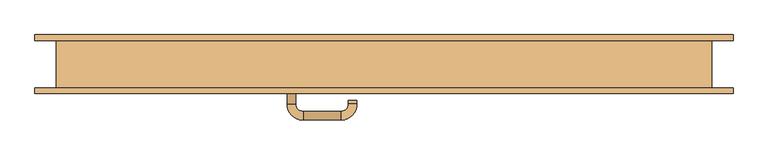
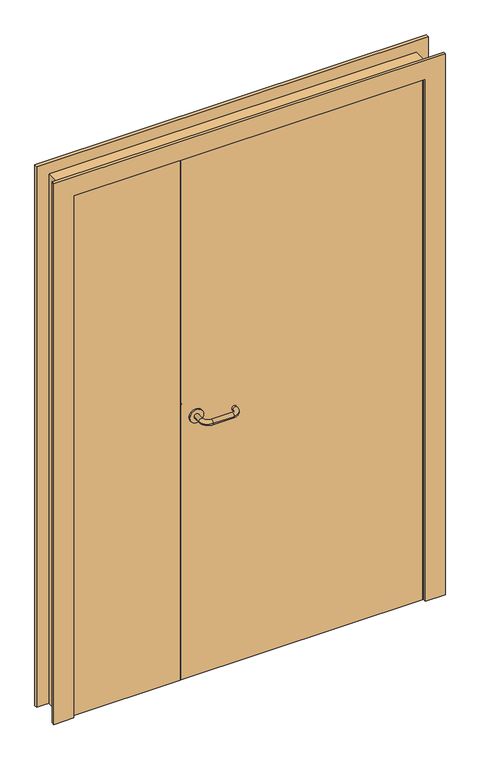
"""IFC4 building model written with IfcOpenShell, lengths in millimetres: door geometry."""

import ifcopenshell
import ifcopenshell.guid

model = None  # the IFC model being written
_history = None  # IfcOwnerHistory: only IFC2X3 demands one
_inside = {}  # id of a spatial element -> (the spatial element, [elements in it])
_under = {}  # id of a project, library or spatial element -> (it, [spatial elements below it])
_declared = {}  # id of a project -> (the project, [libraries it declares])
_typed = {}  # id of a type object -> (the type object, [elements of that type])
_made_of = {}  # id of a material, layer set ... -> (it, [elements and type objects made of it])


def new_model(schema):
    """Start an empty IFC model of exactly this schema.

    Asked for "IFC4X3", IfcOpenShell would pick the latest addendum, in which some entities
    have other attributes; the version numbers below select the first issue.
    IFC2X3 requires an IfcOwnerHistory on every rooted entity: one is made here for all.
    """
    global model, _history
    if schema == "IFC4X3":
        model = ifcopenshell.file(schema_version=(4, 3, 0, 0))
    else:
        model = ifcopenshell.file(schema=schema)
    _inside.clear()
    _under.clear()
    _declared.clear()
    _typed.clear()
    _made_of.clear()
    _history = None
    if model.schema == "IFC2X3":
        org = make("IfcOrganization", Name="unknown")
        user = make(
            "IfcPersonAndOrganization",
            ThePerson=make("IfcPerson", FamilyName="unknown"),
            TheOrganization=org,
        )
        app = make(
            "IfcApplication",
            ApplicationDeveloper=org,
            Version="unknown",
            ApplicationFullName="unknown",
            ApplicationIdentifier="unknown",
        )
        _history = make(
            "IfcOwnerHistory",
            OwningUser=user,
            OwningApplication=app,
            ChangeAction="ADDED",
            CreationDate=0,
        )
    return model


def make(cls, **values):
    """One entity of the class cls with the attributes given. An attribute that is None is left unset."""
    return model.create_entity(
        cls, **{name: value for name, value in values.items() if value is not None}
    )


def rooted(cls, **values):
    """An entity with a GlobalId (a new one), such as an element, a storey or a relation."""
    return make(cls, GlobalId=ifcopenshell.guid.new(), OwnerHistory=_history, **values)


def si_unit(unit_type, name, prefix=None):
    """IfcSIUnit, for example si_unit("LENGTHUNIT", "METRE", prefix="MILLI")."""
    return make("IfcSIUnit", UnitType=unit_type, Prefix=prefix, Name=name)


def assignment(units):
    """IfcUnitAssignment: the units of a project."""
    return None if units is None else make("IfcUnitAssignment", Units=units)


def point(xyz):
    """IfcCartesianPoint."""
    return None if xyz is None else make("IfcCartesianPoint", Coordinates=xyz)


def direction(xyz):
    """IfcDirection."""
    return None if xyz is None else make("IfcDirection", DirectionRatios=xyz)


def frame(location, z_axis=None, x_axis=None):
    """IfcAxis2Placement3D, a coordinate frame: its origin and axes. An axis left out is left unset."""
    return make(
        "IfcAxis2Placement3D",
        Location=point(location),
        Axis=direction(z_axis),
        RefDirection=direction(x_axis),
    )


def origin():
    """The frame at (0, 0, 0) with its axes left unset."""
    return frame((0.0, 0.0, 0.0))


def origin_with_axes():
    """The frame at (0, 0, 0) with the z axis (0, 0, 1) and the x axis (1, 0, 0) written out."""
    return frame((0.0, 0.0, 0.0), z_axis=(0.0, 0.0, 1.0), x_axis=(1.0, 0.0, 0.0))


def place(relative_to, where):
    """IfcLocalPlacement: puts the frame where relative to a parent placement (None: the world)."""
    return make(
        "IfcLocalPlacement", PlacementRelTo=relative_to, RelativePlacement=where
    )


def context(
    kind, dimensions, precision=None, world=None, true_north=None, identifier=None
):
    """IfcGeometricRepresentationContext, for example the 3D "Model" context."""
    return make(
        "IfcGeometricRepresentationContext",
        ContextIdentifier=identifier,
        ContextType=kind,
        CoordinateSpaceDimension=dimensions,
        Precision=precision,
        WorldCoordinateSystem=world,
        TrueNorth=true_north,
    )


def project(units=None, contexts=None):
    """IfcProject with its units and contexts."""
    return rooted(
        "IfcProject",
        Name="project",
        RepresentationContexts=contexts,
        UnitsInContext=assignment(units),
    )


def spatial(cls, under=None, at=None, **own):
    """A site, building, storey or space (cls), placed at a placement, below another one or the project."""
    s = rooted(cls, ObjectPlacement=at, **own)
    if under is not None:
        _under.setdefault(under.id(), (under, []))[1].append(s)
    return s


def polyline(points):
    """IfcPolyline through the points."""
    return make("IfcPolyline", Points=[point(p) for p in points])


def circle_curve(where, radius):
    """IfcCircle in the frame where."""
    return make("IfcCircle", Position=where, Radius=radius)


def ellipse_curve(where, semi_axis1, semi_axis2):
    """IfcEllipse in the frame where."""
    return make(
        "IfcEllipse", Position=where, SemiAxis1=semi_axis1, SemiAxis2=semi_axis2
    )


def trimmed(basis, trim1, trim2, sense, master):
    """IfcTrimmedCurve: the piece of a basis curve between two trims."""
    return make(
        "IfcTrimmedCurve",
        BasisCurve=basis,
        Trim1=trim1,
        Trim2=trim2,
        SenseAgreement=sense,
        MasterRepresentation=master,
    )


def outline(outer, holes=None, kind="AREA"):
    """IfcArbitraryClosedProfileDef: a profile drawn as a closed curve; with holes, ...WithVoids."""
    if holes is None:
        return make("IfcArbitraryClosedProfileDef", ProfileType=kind, OuterCurve=outer)
    return make(
        "IfcArbitraryProfileDefWithVoids",
        ProfileType=kind,
        OuterCurve=outer,
        InnerCurves=holes,
    )


def extrude(swept, where, along, depth):
    """IfcExtrudedAreaSolid: the profile swept, set in the frame where, extruded along a direction by depth."""
    return make(
        "IfcExtrudedAreaSolid",
        SweptArea=swept,
        Position=where,
        ExtrudedDirection=direction(along),
        Depth=depth,
    )


def faces_of(points, faces, orient=None, outer=None):
    """IfcFace entities. A face is a list of loops; a loop is a list of indices into points, from 0.

    orient and outer hold one flag for each loop. By default every Orientation is true, the
    first loop of a face is its IfcFaceOuterBound and the others are IfcFaceBound.
    """
    made = []
    for i, loops in enumerate(faces):
        bounds = []
        for j, loop in enumerate(loops):
            is_outer = j == 0 if outer is None else outer[i][j]
            bounds.append(
                make(
                    "IfcFaceOuterBound" if is_outer else "IfcFaceBound",
                    Bound=make("IfcPolyLoop", Polygon=[points[k] for k in loop]),
                    Orientation=True if orient is None else orient[i][j],
                )
            )
        made.append(make("IfcFace", Bounds=bounds))
    return made


def faceted_brep(points, faces, orient=None, outer=None, voids=None):
    """IfcFacetedBrep: a solid bounded by flat faces; with voids (closed shells), ...WithVoids."""
    shared = [point(p) for p in points]
    hull = make("IfcClosedShell", CfsFaces=faces_of(shared, faces, orient, outer))
    if voids is None:
        return make("IfcFacetedBrep", Outer=hull)
    return make(
        "IfcFacetedBrepWithVoids",
        Outer=hull,
        Voids=[
            make(cls, CfsFaces=faces_of(shared, fs, o, b)) for cls, fs, o, b in voids
        ],
    )


def shape(context_of_items, identifier, shape_type, items):
    """IfcShapeRepresentation: the items that make up one representation, for example the "Body"."""
    return make(
        "IfcShapeRepresentation",
        ContextOfItems=context_of_items,
        RepresentationIdentifier=identifier,
        RepresentationType=shape_type,
        Items=items,
    )


def source(mapping_origin, context_of_items, identifier, shape_type, items):
    """IfcRepresentationMap: a shape defined once, which mapped items show again and again."""
    return make(
        "IfcRepresentationMap",
        MappingOrigin=mapping_origin,
        MappedRepresentation=shape(context_of_items, identifier, shape_type, items),
    )


def transform(
    local_origin,
    x_axis=None,
    y_axis=None,
    z_axis=None,
    scale=None,
    scale2=None,
    scale3=None,
    uniform=True,
):
    """IfcCartesianTransformationOperator3D, or its non-uniform kind. x_axis, y_axis, z_axis: its Axis1, 2, 3."""
    if uniform:
        return make(
            "IfcCartesianTransformationOperator3D",
            Axis1=direction(x_axis),
            Axis2=direction(y_axis),
            LocalOrigin=point(local_origin),
            Scale=scale,
            Axis3=direction(z_axis),
        )
    return make(
        "IfcCartesianTransformationOperator3DnonUniform",
        Axis1=direction(x_axis),
        Axis2=direction(y_axis),
        LocalOrigin=point(local_origin),
        Scale=scale,
        Axis3=direction(z_axis),
        Scale2=scale2,
        Scale3=scale3,
    )


def mapped(mapping_source, mapping_target):
    """IfcMappedItem: shows the shape of a source again, moved by a transform."""
    return make(
        "IfcMappedItem", MappingSource=mapping_source, MappingTarget=mapping_target
    )


def made_of(thing, what):
    """Note that an element or type object is made of a material, layer set ...; save() writes the relation."""
    if what is not None:
        _made_of.setdefault(what.id(), (what, []))[1].append(thing)
    return thing


def element(
    cls,
    number,
    at=None,
    inside=None,
    cuts=None,
    type_object=None,
    material=None,
    context=None,
    identifier="Body",
    shape_type=None,
    held_by="IfcProductDefinitionShape",
    body=None,
    shapes=None,
    **own,
):
    """One element of the class cls, such as IfcWall. Its Tag is "e" and its number.

    at: its placement. inside: the storey or other place that contains it. cuts: it is an
    opening in that element (IfcRelVoidsElement). A single representation is given by context,
    identifier, shape_type and body (its items); several are given by shapes. held_by: the class
    of the entity that holds the representations. save() writes the other relations.
    """
    e = rooted(cls, Tag="e%d" % number, ObjectPlacement=at, **own)
    if body is not None:
        shapes = [shape(context, identifier, shape_type, body)]
    if shapes is not None:
        e.Representation = make(held_by, Representations=shapes)
    if inside is not None:
        _inside.setdefault(inside.id(), (inside, []))[1].append(e)
    if cuts is not None:
        rooted(
            "IfcRelVoidsElement", RelatingBuildingElement=cuts, RelatedOpeningElement=e
        )
    if type_object is not None:
        _typed.setdefault(type_object.id(), (type_object, []))[1].append(e)
    return made_of(e, material)


def aggregate(whole, parts):
    """IfcRelAggregates: a whole, such as a stair, and the parts it consists of."""
    return rooted("IfcRelAggregates", RelatingObject=whole, RelatedObjects=parts)


def save(model, path):
    """Write the relations noted so far, then the file.

    IfcRelAggregates (storeys below a building ...), IfcRelContainedInSpatialStructure (elements
    in a storey), IfcRelDefinesByType, IfcRelAssociatesMaterial and IfcRelDeclares: one each for
    every whole, place, type object, material and project.
    """
    for whole, parts in _under.values():
        aggregate(whole, parts)
    for where, things in _inside.values():
        rooted(
            "IfcRelContainedInSpatialStructure",
            RelatedElements=things,
            RelatingStructure=where,
        )
    for kind, things in _typed.values():
        rooted("IfcRelDefinesByType", RelatedObjects=things, RelatingType=kind)
    for what, things in _made_of.values():
        rooted("IfcRelAssociatesMaterial", RelatedObjects=things, RelatingMaterial=what)
    for by, libraries in _declared.values():
        rooted("IfcRelDeclares", RelatingContext=by, RelatedDefinitions=libraries)
    model.write(path)


def plane_surface(at):
    """IfcPlane: the flat surface through the origin of the frame at, square to its z axis."""
    return make("IfcPlane", Position=at)


def cylinder_surface(at, radius):
    """IfcCylindricalSurface: all points at the distance radius from the z axis of the frame at."""
    return make("IfcCylindricalSurface", Position=at, Radius=radius)


def revolved_surface(curve, axis_point, axis_direction):
    """IfcSurfaceOfRevolution: the curve turned about the line through axis_point along axis_direction."""
    return make(
        "IfcSurfaceOfRevolution",
        SweptCurve=make("IfcArbitraryOpenProfileDef", ProfileType="CURVE", Curve=curve),
        AxisPosition=make("IfcAxis1Placement", Location=point(axis_point), Axis=direction(axis_direction)),
    )


def advanced_brep(points, edges, surfaces, faces):
    """IfcAdvancedBrep: a solid bounded by faces that lie on surfaces and meet in shared edges.

    An edge is (start, end): straight between two places in points (the first is 0);
    or (start, end, curve); or (start, end, curve, False) where it runs against its curve.
    A face is (place in surfaces, loops), or (place, loops, False) where it looks against
    its surface's normal. A loop lists edges by number (the first is 1), with a minus sign
    where the edge is run from its end to its start. The first loop is the outer one.
    """
    corners = [point(p) for p in points]
    vertices = [make("IfcVertexPoint", VertexGeometry=c) for c in corners]
    made = []
    for start, end, *more in edges:
        made.append(
            make(
                "IfcEdgeCurve",
                EdgeStart=vertices[start],
                EdgeEnd=vertices[end],
                EdgeGeometry=more[0] if more else make("IfcPolyline", Points=[corners[start], corners[end]]),
                SameSense=more[1] if len(more) > 1 else True,
            )
        )
    hull = []
    for where, loops, *sense in faces:
        bounds = []
        for j, loop in enumerate(loops):
            ring = [make("IfcOrientedEdge", EdgeElement=made[abs(k) - 1], Orientation=k > 0) for k in loop]
            bounds.append(
                make(
                    "IfcFaceOuterBound" if j == 0 else "IfcFaceBound",
                    Bound=make("IfcEdgeLoop", EdgeList=ring),
                    Orientation=True,
                )
            )
        hull.append(make("IfcAdvancedFace", Bounds=bounds, FaceSurface=surfaces[where], SameSense=sense[0] if sense else True))
    return make("IfcAdvancedBrep", Outer=make("IfcClosedShell", CfsFaces=hull))


def door_6b173a40(model_context):
    return source(origin(), model_context, "Body", "SolidModel", [
        advanced_brep(
        [(-169.0, -50.0, 1030.0), (-221.0, -50.0, 1030.0), (-186.0, -83.9849603, 1030.0), (-186.0, -55.0, 1030.0), (-204.0, -55.0, 1030.0), (-204.0, -83.9849603, 1030.0), (-170.0, -117.9849603, 1030.0), (-170.0, -99.9849603, 1030.0), (-91.0, -117.9849603, 1030.0), (-91.0, -99.9849603, 1030.0), (-57.0, -83.9849603, 1030.0), (-75.0, -83.9849603, 1030.0), (-75.0, -75.9849603, 1030.0), (-57.0, -75.9849603, 1030.0), (-169.0, -55.0, 1030.0), (-221.0, -55.0, 1030.0)],
        [
            (0, 1, circle_curve(frame((-195.0, -50.0, 1030.0), z_axis=(0.0, 1.0, 0.0), x_axis=(-1.0, 0.0, 0.0)), 26.0)),
            (1, 0, circle_curve(frame((-195.0, -50.0, 1030.0), z_axis=(0.0, 1.0, 0.0), x_axis=(-1.0, 0.0, 0.0)), 26.0)),
            (2, 3),
            (3, 4, circle_curve(frame((-195.0, -55.0, 1030.0), z_axis=(0.0, -1.0, 0.0), x_axis=(-1.0, 0.0, 0.0)), 9.0)),
            (4, 5),
            (5, 2, circle_curve(frame((-195.0, -83.9849603, 1030.0), z_axis=(0.0, 1.0, 0.0), x_axis=(-1.0, 0.0, 0.0)), 9.0)),
            (4, 3, circle_curve(frame((-195.0, -55.0, 1030.0), z_axis=(0.0, -1.0, 0.0), x_axis=(-1.0, 0.0, 0.0)), 9.0)),
            (2, 5, circle_curve(frame((-195.0, -83.9849603, 1030.0), z_axis=(0.0, 1.0, 0.0), x_axis=(-1.0, 0.0, 0.0)), 9.0)),
            (5, 6, circle_curve(frame((-170.0, -83.9849603, 1030.0), z_axis=(0.0, 0.0, 1.0), x_axis=(-1.0, 0.0, 0.0)), 34.0)),
            (6, 7, circle_curve(frame((-170.0, -108.9849603, 1030.0), z_axis=(-1.0, 0.0, 0.0), x_axis=(0.0, -1.0, 0.0)), 9.0)),
            (7, 2, circle_curve(frame((-170.0, -83.9849603, 1030.0), z_axis=(0.0, 0.0, -1.0), x_axis=(-1.0, 0.0, 0.0)), 16.0)),
            (7, 6, circle_curve(frame((-170.0, -108.9849603, 1030.0), z_axis=(-1.0, 0.0, 0.0), x_axis=(0.0, -1.0, 0.0)), 9.0)),
            (6, 8),
            (8, 9, circle_curve(frame((-91.0, -108.9849603, 1030.0), z_axis=(-1.0, 0.0, 0.0), x_axis=(0.0, -1.0, 0.0)), 9.0)),
            (9, 7),
            (9, 8, circle_curve(frame((-91.0, -108.9849603, 1030.0), z_axis=(-1.0, 0.0, 0.0), x_axis=(0.0, -1.0, 0.0)), 9.0)),
            (8, 10, circle_curve(frame((-91.0, -83.9849603, 1030.0), z_axis=(0.0, 0.0, 1.0), x_axis=(0.0, -1.0, 0.0)), 34.0)),
            (10, 11, circle_curve(frame((-66.0, -83.9849603, 1030.0), z_axis=(0.0, -1.0, 0.0), x_axis=(1.0, 0.0, 0.0)), 9.0)),
            (11, 9, circle_curve(frame((-91.0, -83.9849603, 1030.0), z_axis=(0.0, 0.0, -1.0), x_axis=(0.0, -1.0, 0.0)), 16.0)),
            (11, 10, circle_curve(frame((-66.0, -83.9849603, 1030.0), z_axis=(0.0, -1.0, 0.0), x_axis=(1.0, 0.0, 0.0)), 9.0)),
            (12, 13, circle_curve(frame((-66.0, -75.9849603, 1030.0), z_axis=(0.0, 1.0, 0.0), x_axis=(1.0, 0.0, 0.0)), 9.0)),
            (13, 12, circle_curve(frame((-66.0, -75.9849603, 1030.0), z_axis=(0.0, 1.0, 0.0), x_axis=(1.0, 0.0, 0.0)), 9.0)),
            (10, 13),
            (12, 11),
            (14, 15, circle_curve(frame((-195.0, -55.0, 1030.0), z_axis=(0.0, -1.0, 0.0), x_axis=(-1.0, 0.0, 0.0)), 26.0)),
            (15, 14, circle_curve(frame((-195.0, -55.0, 1030.0), z_axis=(0.0, -1.0, 0.0), x_axis=(-1.0, 0.0, 0.0)), 26.0)),
            (15, 1),
            (0, 14),
        ],
        [
            plane_surface(frame((-195.0, -50.0, 1030.0), z_axis=(0.0, 1.0, 0.0), x_axis=(0.0, 0.0, 1.0))),
            cylinder_surface(frame((-195.0, -50.0, 1030.0), z_axis=(0.0, 1.0, 0.0), x_axis=(-1.0, 0.0, 0.0)), 9.0),
            revolved_surface(trimmed(ellipse_curve(frame((-195.0, -83.9849603, 1030.0), z_axis=(0.0, -1.0, 0.0), x_axis=(-1.0, 0.0, 0.0)), 9.0, 9.0), [point((-186.0, -83.9849603, 1030.0))], [point((-204.0, -83.9849603, 1030.0))], True, "CARTESIAN"), (-170.0, -83.9849603, 1030.0), (0.0, 0.0, -1.0)),
            revolved_surface(trimmed(ellipse_curve(frame((-195.0, -83.9849603, 1030.0), z_axis=(0.0, -1.0, 0.0), x_axis=(-1.0, 0.0, 0.0)), 9.0, 9.0), [point((-204.0, -83.9849603, 1030.0))], [point((-186.0, -83.9849603, 1030.0))], True, "CARTESIAN"), (-170.0, -83.9849603, 1030.0), (0.0, 0.0, -1.0)),
            cylinder_surface(frame((-170.0, -108.9849603, 1030.0), z_axis=(-1.0, 0.0, 0.0), x_axis=(0.0, -1.0, 0.0)), 9.0),
            revolved_surface(trimmed(ellipse_curve(frame((-91.0, -108.9849603, 1030.0), z_axis=(1.0, 0.0, 0.0), x_axis=(0.0, -1.0, 0.0)), 9.0, 9.0), [point((-91.0, -99.9849603, 1030.0))], [point((-91.0, -117.9849603, 1030.0))], True, "CARTESIAN"), (-91.0, -83.9849603, 1030.0), (0.0, 0.0, -1.0)),
            revolved_surface(trimmed(ellipse_curve(frame((-91.0, -108.9849603, 1030.0), z_axis=(1.0, 0.0, 0.0), x_axis=(0.0, -1.0, 0.0)), 9.0, 9.0), [point((-91.0, -117.9849603, 1030.0))], [point((-91.0, -99.9849603, 1030.0))], True, "CARTESIAN"), (-91.0, -83.9849603, 1030.0), (0.0, 0.0, -1.0)),
            plane_surface(frame((-66.0, -75.9849603, 1030.0), z_axis=(0.0, 1.0, 0.0), x_axis=(0.0, 0.0, 1.0))),
            cylinder_surface(frame((-66.0, -83.9849603, 1030.0), z_axis=(0.0, -1.0, 0.0), x_axis=(1.0, 0.0, 0.0)), 9.0),
            plane_surface(frame((-221.0, -55.0, 1030.0), z_axis=(0.0, -1.0, 0.0), x_axis=(0.0, 0.0, 1.0))),
            cylinder_surface(frame((-195.0, -50.0, 1030.0), z_axis=(0.0, -1.0, 0.0), x_axis=(-1.0, 0.0, 0.0)), 26.0),
        ],
        [
            (0, [[1, 2]]),
            (1, [[3, 4, 5, 6]]),
            (1, [[-5, 7, -3, 8]]),
            (2, [[9, 10, 11, -6]]),
            (3, [[-11, 12, -9, -8]]),
            (4, [[13, 14, 15, -10]]),
            (4, [[-15, 16, -13, -12]]),
            (5, [[17, 18, 19, -14]]),
            (6, [[-19, 20, -17, -16]]),
            (7, [[21, 22]]),
            (8, [[23, -21, 24, -18]]),
            (8, [[-24, -22, -23, -20]]),
            (9, [[25, 26], [-7, -4]]),
            (10, [[27, -1, 28, -26]]),
            (10, [[-28, -2, -27, -25]]),
        ],
    ),
        advanced_brep(
        [(-169.0, -10.0, 1030.0), (-221.0, -10.0, 1030.0), (-186.0, 23.9849603, 1030.0), (-204.0, 23.9849603, 1030.0), (-204.0, -5.0, 1030.0), (-186.0, -5.0, 1030.0), (-170.0, 39.9849603, 1030.0), (-170.0, 57.9849603, 1030.0), (-91.0, 39.9849603, 1030.0), (-91.0, 57.9849603, 1030.0), (-75.0, 23.9849603, 1030.0), (-57.0, 23.9849603, 1030.0), (-75.0, 15.9849603, 1030.0), (-57.0, 15.9849603, 1030.0), (-169.0, -5.0, 1030.0), (-221.0, -5.0, 1030.0)],
        [
            (0, 1, circle_curve(frame((-195.0, -10.0, 1030.0), z_axis=(0.0, -1.0, 0.0), x_axis=(-1.0, 0.0, 0.0)), 26.0)),
            (1, 0, circle_curve(frame((-195.0, -10.0, 1030.0), z_axis=(0.0, -1.0, 0.0), x_axis=(-1.0, 0.0, 0.0)), 26.0)),
            (2, 3, circle_curve(frame((-195.0, 23.9849603, 1030.0), z_axis=(0.0, -1.0, 0.0), x_axis=(-1.0, 0.0, 0.0)), 9.0)),
            (3, 4),
            (4, 5, circle_curve(frame((-195.0, -5.0, 1030.0), z_axis=(0.0, 1.0, 0.0), x_axis=(-1.0, 0.0, 0.0)), 9.0)),
            (5, 2),
            (3, 2, circle_curve(frame((-195.0, 23.9849603, 1030.0), z_axis=(0.0, -1.0, 0.0), x_axis=(-1.0, 0.0, 0.0)), 9.0)),
            (5, 4, circle_curve(frame((-195.0, -5.0, 1030.0), z_axis=(0.0, 1.0, 0.0), x_axis=(-1.0, 0.0, 0.0)), 9.0)),
            (2, 6, circle_curve(frame((-170.0, 23.9849603, 1030.0), z_axis=(0.0, 0.0, -1.0), x_axis=(-1.0, 0.0, 0.0)), 16.0)),
            (6, 7, circle_curve(frame((-170.0, 48.9849603, 1030.0), z_axis=(-1.0, 0.0, 0.0), x_axis=(0.0, 1.0, 0.0)), 9.0)),
            (7, 3, circle_curve(frame((-170.0, 23.9849603, 1030.0), z_axis=(0.0, 0.0, 1.0), x_axis=(-1.0, 0.0, 0.0)), 34.0)),
            (7, 6, circle_curve(frame((-170.0, 48.9849603, 1030.0), z_axis=(-1.0, 0.0, 0.0), x_axis=(0.0, 1.0, 0.0)), 9.0)),
            (6, 8),
            (8, 9, circle_curve(frame((-91.0, 48.9849603, 1030.0), z_axis=(-1.0, 0.0, 0.0), x_axis=(0.0, 1.0, 0.0)), 9.0)),
            (9, 7),
            (9, 8, circle_curve(frame((-91.0, 48.9849603, 1030.0), z_axis=(-1.0, 0.0, 0.0), x_axis=(0.0, 1.0, 0.0)), 9.0)),
            (8, 10, circle_curve(frame((-91.0, 23.9849603, 1030.0), z_axis=(0.0, 0.0, -1.0), x_axis=(0.0, 1.0, 0.0)), 16.0)),
            (10, 11, circle_curve(frame((-66.0, 23.9849603, 1030.0), z_axis=(0.0, 1.0, 0.0), x_axis=(1.0, 0.0, 0.0)), 9.0)),
            (11, 9, circle_curve(frame((-91.0, 23.9849603, 1030.0), z_axis=(0.0, 0.0, 1.0), x_axis=(0.0, 1.0, 0.0)), 34.0)),
            (11, 10, circle_curve(frame((-66.0, 23.9849603, 1030.0), z_axis=(0.0, 1.0, 0.0), x_axis=(1.0, 0.0, 0.0)), 9.0)),
            (12, 13, circle_curve(frame((-66.0, 15.9849603, 1030.0), z_axis=(0.0, -1.0, 0.0), x_axis=(1.0, 0.0, 0.0)), 9.0)),
            (13, 12, circle_curve(frame((-66.0, 15.9849603, 1030.0), z_axis=(0.0, -1.0, 0.0), x_axis=(1.0, 0.0, 0.0)), 9.0)),
            (10, 12),
            (13, 11),
            (14, 15, circle_curve(frame((-195.0, -5.0, 1030.0), z_axis=(0.0, 1.0, 0.0), x_axis=(-1.0, 0.0, 0.0)), 26.0)),
            (15, 14, circle_curve(frame((-195.0, -5.0, 1030.0), z_axis=(0.0, 1.0, 0.0), x_axis=(-1.0, 0.0, 0.0)), 26.0)),
            (14, 0),
            (1, 15),
        ],
        [
            plane_surface(frame((-195.0, -10.0, 1030.0), z_axis=(0.0, -1.0, 0.0), x_axis=(0.0, 0.0, 1.0))),
            cylinder_surface(frame((-195.0, -10.0, 1030.0), z_axis=(0.0, -1.0, 0.0), x_axis=(-1.0, 0.0, 0.0)), 9.0),
            revolved_surface(trimmed(ellipse_curve(frame((-195.0, 23.9849603, 1030.0), z_axis=(0.0, -1.0, 0.0), x_axis=(-1.0, 0.0, 0.0)), 9.0, 9.0), [point((-186.0, 23.9849603, 1030.0))], [point((-204.0, 23.9849603, 1030.0))], True, "CARTESIAN"), (-170.0, 23.9849603, 1030.0), (0.0, 0.0, -1.0)),
            revolved_surface(trimmed(ellipse_curve(frame((-195.0, 23.9849603, 1030.0), z_axis=(0.0, -1.0, 0.0), x_axis=(-1.0, 0.0, 0.0)), 9.0, 9.0), [point((-204.0, 23.9849603, 1030.0))], [point((-186.0, 23.9849603, 1030.0))], True, "CARTESIAN"), (-170.0, 23.9849603, 1030.0), (0.0, 0.0, -1.0)),
            cylinder_surface(frame((-170.0, 48.9849603, 1030.0), z_axis=(-1.0, 0.0, 0.0), x_axis=(0.0, 1.0, 0.0)), 9.0),
            revolved_surface(trimmed(ellipse_curve(frame((-91.0, 48.9849603, 1030.0), z_axis=(-1.0, 0.0, 0.0), x_axis=(0.0, 1.0, 0.0)), 9.0, 9.0), [point((-91.0, 39.9849603, 1030.0))], [point((-91.0, 57.9849603, 1030.0))], True, "CARTESIAN"), (-91.0, 23.9849603, 1030.0), (0.0, 0.0, -1.0)),
            revolved_surface(trimmed(ellipse_curve(frame((-91.0, 48.9849603, 1030.0), z_axis=(-1.0, 0.0, 0.0), x_axis=(0.0, 1.0, 0.0)), 9.0, 9.0), [point((-91.0, 57.9849603, 1030.0))], [point((-91.0, 39.9849603, 1030.0))], True, "CARTESIAN"), (-91.0, 23.9849603, 1030.0), (0.0, 0.0, -1.0)),
            plane_surface(frame((-66.0, 15.9849603, 1030.0), z_axis=(0.0, -1.0, 0.0), x_axis=(0.0, 0.0, 1.0))),
            cylinder_surface(frame((-66.0, 23.9849603, 1030.0), z_axis=(0.0, 1.0, 0.0), x_axis=(1.0, 0.0, 0.0)), 9.0),
            plane_surface(frame((-221.0, -5.0, 1030.0), z_axis=(0.0, 1.0, 0.0), x_axis=(0.0, 0.0, 1.0))),
            cylinder_surface(frame((-195.0, -10.0, 1030.0), z_axis=(0.0, 1.0, 0.0), x_axis=(-1.0, 0.0, 0.0)), 26.0),
        ],
        [
            (0, [[1, 2]]),
            (1, [[3, 4, 5, 6]]),
            (1, [[7, -6, 8, -4]]),
            (2, [[-3, 9, 10, 11]]),
            (3, [[-7, -11, 12, -9]]),
            (4, [[-10, 13, 14, 15]]),
            (4, [[-12, -15, 16, -13]]),
            (5, [[-14, 17, 18, 19]]),
            (6, [[-16, -19, 20, -17]]),
            (7, [[21, 22]]),
            (8, [[-18, 23, -22, 24]]),
            (8, [[-20, -24, -21, -23]]),
            (9, [[25, 26], [-5, -8]]),
            (10, [[-25, 27, -2, 28]]),
            (10, [[-26, -28, -1, -27]]),
        ],
    ),
        extrude(outline(polyline([(2070.0, -660.0), (2070.0, 660.0), (0.0, 660.0), (0.0, 735.0), (2145.0, 735.0), (2145.0, -735.0), (0.0, -735.0), (0.0, -660.0), (2070.0, -660.0)])), frame((0.0, 50.0, 0.0), z_axis=(0.0, 1.0, 0.0), x_axis=(0.0, 0.0, 1.0)), (0.0, 0.0, 1.0), 12.0),
        extrude(outline(polyline([(2145.0, -735.0), (0.0, -735.0), (0.0, -660.0), (2070.0, -660.0), (2070.0, 660.0), (0.0, 660.0), (0.0, 735.0), (2145.0, 735.0), (2145.0, -735.0)])), frame((0.0, -62.0, 0.0), z_axis=(0.0, 1.0, 0.0), x_axis=(0.0, 0.0, 1.0)), (0.0, 0.0, 1.0), 12.0),
        faceted_brep([(-690.0, 50.0, 0.0), (-650.0, 50.0, 0.0), (-650.0, -10.0, 0.0), (-660.0, -10.0, 0.0), (-660.0, -50.0, 0.0), (-690.0, -50.0, 0.0), (-690.0, 50.0, 2100.0), (690.0, 50.0, 2100.0), (690.0, 50.0, 0.0), (650.0, 50.0, 0.0), (650.0, 50.0, 2060.0), (-650.0, 50.0, 2060.0), (-650.0, -10.0, 2060.0), (650.0, -10.0, 2060.0), (650.0, -10.0, 0.0), (660.0, -10.0, 0.0), (660.0, -10.0, 2070.0), (-660.0, -10.0, 2070.0), (-660.0, -50.0, 2070.0), (660.0, -50.0, 2070.0), (660.0, -50.0, 0.0), (690.0, -50.0, 0.0), (690.0, -50.0, 2100.0), (-690.0, -50.0, 2100.0)], [[[0, 1, 2, 3, 4, 5]], [[1, 0, 6, 7, 8, 9, 10, 11]], [[2, 1, 11, 12]], [[3, 2, 12, 13, 14, 15, 16, 17]], [[4, 3, 17, 18]], [[5, 4, 18, 19, 20, 21, 22, 23]], [[0, 5, 23, 6]], [[7, 22, 21, 8]], [[8, 21, 20, 15, 14, 9]], [[13, 10, 9, 14]], [[19, 16, 15, 20]], [[12, 11, 10, 13]], [[18, 17, 16, 19]], [[6, 23, 22, 7]]]),
        extrude(outline(polyline([(-655.0, -50.0), (-655.0, -10.0), (-255.0, -10.0), (-255.0, -50.0), (-655.0, -50.0)])), origin_with_axes(), (0.0, 0.0, 1.0), 2065.0),
        extrude(outline(polyline([(-250.0, -50.0), (-250.0, -10.0), (655.0, -10.0), (655.0, -50.0), (-250.0, -50.0)])), origin_with_axes(), (0.0, 0.0, 1.0), 2065.0),
    ])


if __name__ == "__main__":
    model = new_model("IFC4")
    model_context = context("Model", 3, world=origin())
    ifc_project = project(units=[si_unit("LENGTHUNIT", "METRE", prefix="MILLI")], contexts=[model_context])
    site = spatial("IfcSite", under=ifc_project)
    building = spatial("IfcBuilding", under=site)
    placement = place(None, origin())
    door_shape = door_6b173a40(model_context)
    element("IfcDoor", 1, at=placement, inside=building, context=model_context, shape_type="MappedRepresentation", body=[
        mapped(door_shape, transform((0.0, 0.0, 0.0), x_axis=(1.0, 0.0, 0.0), y_axis=(0.0, 1.0, 0.0), z_axis=(0.0, 0.0, 1.0))),
    ])
    save(model, "model.ifc")
